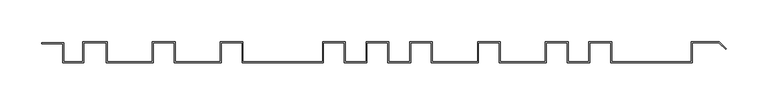
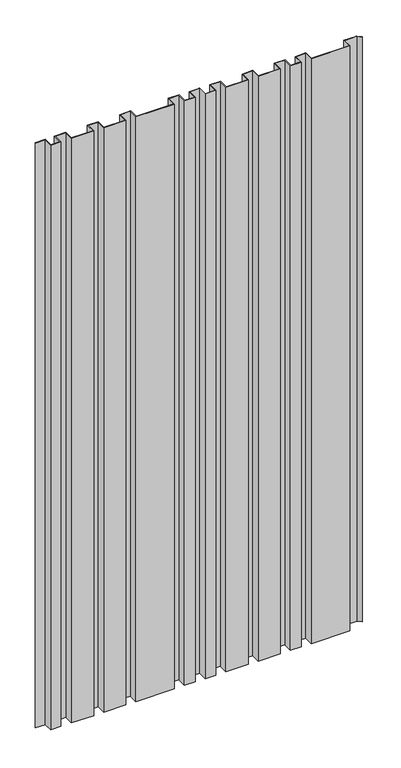
"""IFC4 building model written with IfcOpenShell, lengths in millimetres: plate geometry."""

from ifc_helpers import new_model, si_unit, origin, origin_with_axes, place, context, project, spatial, polyline, outline, extrude, source, transform, mapped, element, save


def plate_51cd15e3(model_context):
    return source(origin(), model_context, "Body", "SweptSolid", [
        extrude(outline(polyline([(-363.0, 23.0), (-388.0, 23.0), (-388.0, 24.0), (-362.0, 24.0), (-362.0, 1.0), (-339.0, 1.0), (-339.0, 25.0), (-310.0, 25.0), (-310.0, 1.0), (-256.0, 1.0), (-256.0, 25.0), (-229.0, 25.0), (-229.0, 1.0), (-175.0, 1.0), (-175.0, 25.0), (-148.0, 25.0), (-148.0, 1.0), (-53.0, 1.0), (-53.0, 25.0), (-26.0, 25.0), (-26.0, 1.0), (-1.0, 1.0), (-1.0, 25.0), (26.0, 25.0), (26.0, 1.0), (51.0, 1.0), (51.0, 25.0), (78.0, 25.0), (78.0, 1.0), (132.0, 1.0), (132.0, 25.0), (159.0, 25.0), (159.0, 1.0), (213.0, 1.0), (213.0, 25.0), (240.0, 25.0), (240.0, 1.0), (265.0, 1.0), (265.0, 25.0), (292.0, 25.0), (292.0, 1.0), (387.0, 1.0), (387.0, 25.0), (420.4147995, 25.0), (428.7078135, 16.6903838), (428.0, 15.9839845), (420.0, 24.0), (388.0, 24.0), (388.0, 0.0), (291.0, 0.0), (291.0, 24.0), (266.0, 24.0), (266.0, 0.0), (239.0, 0.0), (239.0, 24.0), (214.0, 24.0), (214.0, 0.0), (158.0, 0.0), (158.0, 24.0), (133.0, 24.0), (133.0, 0.0), (77.0, 0.0), (77.0, 24.0), (52.0, 24.0), (52.0, 0.0), (25.0, 0.0), (25.0, 24.0), (0.0, 24.0), (0.0, 0.0), (-27.0, 0.0), (-27.0, 24.0), (-52.0, 24.0), (-52.0, 0.0), (-149.0, 0.0), (-149.0, 24.0), (-174.0, 24.0), (-174.0, 0.0), (-230.0, 0.0), (-230.0, 24.0), (-255.0, 24.0), (-255.0, 0.0), (-311.0, 0.0), (-311.0, 24.0), (-338.0, 24.0), (-338.0, 0.0), (-363.0, 0.0), (-363.0, 23.0)])), origin_with_axes(), (0.0, 0.0, 1.0), 1552.0),
    ])


if __name__ == "__main__":
    model = new_model("IFC4")
    model_context = context("Model", 3, world=origin())
    ifc_project = project(units=[si_unit("LENGTHUNIT", "METRE", prefix="MILLI")], contexts=[model_context])
    site = spatial("IfcSite", under=ifc_project)
    building = spatial("IfcBuilding", under=site)
    placement = place(None, origin())
    plate_shape = plate_51cd15e3(model_context)
    element("IfcPlate", 1, at=placement, inside=building, context=model_context, shape_type="MappedRepresentation", body=[
        mapped(plate_shape, transform((0.0, 0.0, 0.0), x_axis=(1.0, 0.0, 0.0), y_axis=(0.0, 1.0, 0.0), z_axis=(0.0, 0.0, 1.0))),
    ])
    save(model, "model.ifc")
